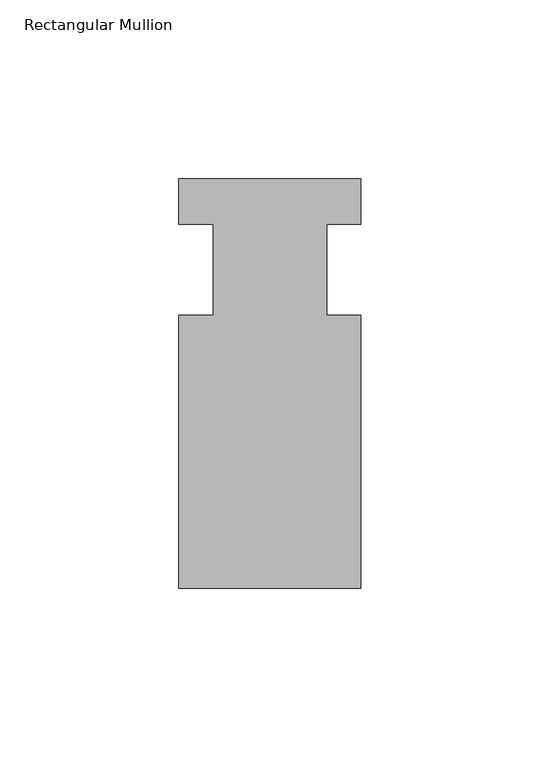
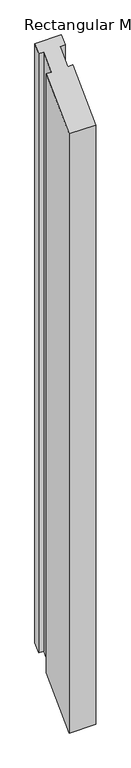
"""IFC4 building model written with IfcOpenShell, lengths in millimetres: member geometry, Rectangular Mullion."""

import ifcopenshell
import ifcopenshell.guid

model = None  # the IFC model being written
_history = None  # IfcOwnerHistory: only IFC2X3 demands one
_inside = {}  # id of a spatial element -> (the spatial element, [elements in it])
_under = {}  # id of a project, library or spatial element -> (it, [spatial elements below it])
_declared = {}  # id of a project -> (the project, [libraries it declares])
_typed = {}  # id of a type object -> (the type object, [elements of that type])
_made_of = {}  # id of a material, layer set ... -> (it, [elements and type objects made of it])


def new_model(schema):
    """Start an empty IFC model of exactly this schema.

    Asked for "IFC4X3", IfcOpenShell would pick the latest addendum, in which some entities
    have other attributes; the version numbers below select the first issue.
    IFC2X3 requires an IfcOwnerHistory on every rooted entity: one is made here for all.
    """
    global model, _history
    if schema == "IFC4X3":
        model = ifcopenshell.file(schema_version=(4, 3, 0, 0))
    else:
        model = ifcopenshell.file(schema=schema)
    _inside.clear()
    _under.clear()
    _declared.clear()
    _typed.clear()
    _made_of.clear()
    _history = None
    if model.schema == "IFC2X3":
        org = make("IfcOrganization", Name="unknown")
        user = make(
            "IfcPersonAndOrganization",
            ThePerson=make("IfcPerson", FamilyName="unknown"),
            TheOrganization=org,
        )
        app = make(
            "IfcApplication",
            ApplicationDeveloper=org,
            Version="unknown",
            ApplicationFullName="unknown",
            ApplicationIdentifier="unknown",
        )
        _history = make(
            "IfcOwnerHistory",
            OwningUser=user,
            OwningApplication=app,
            ChangeAction="ADDED",
            CreationDate=0,
        )
    return model


def make(cls, **values):
    """One entity of the class cls with the attributes given. An attribute that is None is left unset."""
    return model.create_entity(
        cls, **{name: value for name, value in values.items() if value is not None}
    )


def rooted(cls, **values):
    """An entity with a GlobalId (a new one), such as an element, a storey or a relation."""
    return make(cls, GlobalId=ifcopenshell.guid.new(), OwnerHistory=_history, **values)


def si_unit(unit_type, name, prefix=None):
    """IfcSIUnit, for example si_unit("LENGTHUNIT", "METRE", prefix="MILLI")."""
    return make("IfcSIUnit", UnitType=unit_type, Prefix=prefix, Name=name)


def assignment(units):
    """IfcUnitAssignment: the units of a project."""
    return None if units is None else make("IfcUnitAssignment", Units=units)


def point(xyz):
    """IfcCartesianPoint."""
    return None if xyz is None else make("IfcCartesianPoint", Coordinates=xyz)


def direction(xyz):
    """IfcDirection."""
    return None if xyz is None else make("IfcDirection", DirectionRatios=xyz)


def frame(location, z_axis=None, x_axis=None):
    """IfcAxis2Placement3D, a coordinate frame: its origin and axes. An axis left out is left unset."""
    return make(
        "IfcAxis2Placement3D",
        Location=point(location),
        Axis=direction(z_axis),
        RefDirection=direction(x_axis),
    )


def origin():
    """The frame at (0, 0, 0) with its axes left unset."""
    return frame((0.0, 0.0, 0.0))


def place(relative_to, where):
    """IfcLocalPlacement: puts the frame where relative to a parent placement (None: the world)."""
    return make(
        "IfcLocalPlacement", PlacementRelTo=relative_to, RelativePlacement=where
    )


def context(
    kind, dimensions, precision=None, world=None, true_north=None, identifier=None
):
    """IfcGeometricRepresentationContext, for example the 3D "Model" context."""
    return make(
        "IfcGeometricRepresentationContext",
        ContextIdentifier=identifier,
        ContextType=kind,
        CoordinateSpaceDimension=dimensions,
        Precision=precision,
        WorldCoordinateSystem=world,
        TrueNorth=true_north,
    )


def project(units=None, contexts=None):
    """IfcProject with its units and contexts."""
    return rooted(
        "IfcProject",
        Name="project",
        RepresentationContexts=contexts,
        UnitsInContext=assignment(units),
    )


def spatial(cls, under=None, at=None, **own):
    """A site, building, storey or space (cls), placed at a placement, below another one or the project."""
    s = rooted(cls, ObjectPlacement=at, **own)
    if under is not None:
        _under.setdefault(under.id(), (under, []))[1].append(s)
    return s


def faces_of(points, faces, orient=None, outer=None):
    """IfcFace entities. A face is a list of loops; a loop is a list of indices into points, from 0.

    orient and outer hold one flag for each loop. By default every Orientation is true, the
    first loop of a face is its IfcFaceOuterBound and the others are IfcFaceBound.
    """
    made = []
    for i, loops in enumerate(faces):
        bounds = []
        for j, loop in enumerate(loops):
            is_outer = j == 0 if outer is None else outer[i][j]
            bounds.append(
                make(
                    "IfcFaceOuterBound" if is_outer else "IfcFaceBound",
                    Bound=make("IfcPolyLoop", Polygon=[points[k] for k in loop]),
                    Orientation=True if orient is None else orient[i][j],
                )
            )
        made.append(make("IfcFace", Bounds=bounds))
    return made


def faceted_brep(points, faces, orient=None, outer=None, voids=None):
    """IfcFacetedBrep: a solid bounded by flat faces; with voids (closed shells), ...WithVoids."""
    shared = [point(p) for p in points]
    hull = make("IfcClosedShell", CfsFaces=faces_of(shared, faces, orient, outer))
    if voids is None:
        return make("IfcFacetedBrep", Outer=hull)
    return make(
        "IfcFacetedBrepWithVoids",
        Outer=hull,
        Voids=[
            make(cls, CfsFaces=faces_of(shared, fs, o, b)) for cls, fs, o, b in voids
        ],
    )


def shape(context_of_items, identifier, shape_type, items):
    """IfcShapeRepresentation: the items that make up one representation, for example the "Body"."""
    return make(
        "IfcShapeRepresentation",
        ContextOfItems=context_of_items,
        RepresentationIdentifier=identifier,
        RepresentationType=shape_type,
        Items=items,
    )


def source(mapping_origin, context_of_items, identifier, shape_type, items):
    """IfcRepresentationMap: a shape defined once, which mapped items show again and again."""
    return make(
        "IfcRepresentationMap",
        MappingOrigin=mapping_origin,
        MappedRepresentation=shape(context_of_items, identifier, shape_type, items),
    )


def transform(
    local_origin,
    x_axis=None,
    y_axis=None,
    z_axis=None,
    scale=None,
    scale2=None,
    scale3=None,
    uniform=True,
):
    """IfcCartesianTransformationOperator3D, or its non-uniform kind. x_axis, y_axis, z_axis: its Axis1, 2, 3."""
    if uniform:
        return make(
            "IfcCartesianTransformationOperator3D",
            Axis1=direction(x_axis),
            Axis2=direction(y_axis),
            LocalOrigin=point(local_origin),
            Scale=scale,
            Axis3=direction(z_axis),
        )
    return make(
        "IfcCartesianTransformationOperator3DnonUniform",
        Axis1=direction(x_axis),
        Axis2=direction(y_axis),
        LocalOrigin=point(local_origin),
        Scale=scale,
        Axis3=direction(z_axis),
        Scale2=scale2,
        Scale3=scale3,
    )


def mapped(mapping_source, mapping_target):
    """IfcMappedItem: shows the shape of a source again, moved by a transform."""
    return make(
        "IfcMappedItem", MappingSource=mapping_source, MappingTarget=mapping_target
    )


def made_of(thing, what):
    """Note that an element or type object is made of a material, layer set ...; save() writes the relation."""
    if what is not None:
        _made_of.setdefault(what.id(), (what, []))[1].append(thing)
    return thing


def element(
    cls,
    number,
    at=None,
    inside=None,
    cuts=None,
    type_object=None,
    material=None,
    context=None,
    identifier="Body",
    shape_type=None,
    held_by="IfcProductDefinitionShape",
    body=None,
    shapes=None,
    **own,
):
    """One element of the class cls, such as IfcWall. Its Tag is "e" and its number.

    at: its placement. inside: the storey or other place that contains it. cuts: it is an
    opening in that element (IfcRelVoidsElement). A single representation is given by context,
    identifier, shape_type and body (its items); several are given by shapes. held_by: the class
    of the entity that holds the representations. save() writes the other relations.
    """
    e = rooted(cls, Tag="e%d" % number, ObjectPlacement=at, **own)
    if body is not None:
        shapes = [shape(context, identifier, shape_type, body)]
    if shapes is not None:
        e.Representation = make(held_by, Representations=shapes)
    if inside is not None:
        _inside.setdefault(inside.id(), (inside, []))[1].append(e)
    if cuts is not None:
        rooted(
            "IfcRelVoidsElement", RelatingBuildingElement=cuts, RelatedOpeningElement=e
        )
    if type_object is not None:
        _typed.setdefault(type_object.id(), (type_object, []))[1].append(e)
    return made_of(e, material)


def aggregate(whole, parts):
    """IfcRelAggregates: a whole, such as a stair, and the parts it consists of."""
    return rooted("IfcRelAggregates", RelatingObject=whole, RelatedObjects=parts)


def save(model, path):
    """Write the relations noted so far, then the file.

    IfcRelAggregates (storeys below a building ...), IfcRelContainedInSpatialStructure (elements
    in a storey), IfcRelDefinesByType, IfcRelAssociatesMaterial and IfcRelDeclares: one each for
    every whole, place, type object, material and project.
    """
    for whole, parts in _under.values():
        aggregate(whole, parts)
    for where, things in _inside.values():
        rooted(
            "IfcRelContainedInSpatialStructure",
            RelatedElements=things,
            RelatingStructure=where,
        )
    for kind, things in _typed.values():
        rooted("IfcRelDefinesByType", RelatedObjects=things, RelatingType=kind)
    for what, things in _made_of.values():
        rooted("IfcRelAssociatesMaterial", RelatedObjects=things, RelatingMaterial=what)
    for by, libraries in _declared.values():
        rooted("IfcRelDeclares", RelatingContext=by, RelatedDefinitions=libraries)
    model.write(path)


def rectangular_mullion_56436c90(model_context):
    return source(origin(), model_context, "Body", "Brep", [
        faceted_brep([(25.4, -25.4, -25.4), (25.4, -101.6, -101.6), (25.4, -101.6, -1320.8), (25.4, -25.4, -1244.6), (15.875, -25.4, -25.4), (15.875, -25.4, -1244.6), (15.875, 0.0, 0.0), (15.875, 0.0, -1219.2), (25.4, 0.0, 0.0), (25.4, 0.0, -1219.2), (25.4, 12.7, 12.7), (25.4, 12.7, -1206.5), (-25.4, 12.7, 12.7), (-25.4, 12.7, -1206.5), (-25.4, 0.0, 0.0), (-25.4, 0.0, -1219.2), (-15.875, 0.0, 0.0), (-15.875, 0.0, -1219.2), (-15.875, -25.4, -25.4), (-15.875, -25.4, -1244.6), (-25.4, -25.4, -25.4), (-25.4, -25.4, -1244.6), (-25.4, -101.6, -101.6), (-25.4, -101.6, -1320.8)], [[[0, 1, 2, 3]], [[4, 0, 3, 5]], [[6, 4, 5, 7]], [[8, 6, 7, 9]], [[10, 8, 9, 11]], [[12, 10, 11, 13]], [[14, 12, 13, 15]], [[16, 14, 15, 17]], [[18, 16, 17, 19]], [[20, 18, 19, 21]], [[22, 20, 21, 23]], [[1, 22, 23, 2]], [[1, 0, 4, 6, 8, 10, 12, 14, 16, 18, 20, 22]], [[2, 23, 21, 19, 17, 15, 13, 11, 9, 7, 5, 3]]]),
    ])


if __name__ == "__main__":
    model = new_model("IFC4")
    model_context = context("Model", 3, world=origin())
    ifc_project = project(units=[si_unit("LENGTHUNIT", "METRE", prefix="MILLI")], contexts=[model_context])
    site = spatial("IfcSite", under=ifc_project)
    building = spatial("IfcBuilding", under=site)
    placement = place(None, origin())
    rectangular_mullion_shape = rectangular_mullion_56436c90(model_context)
    element("IfcMember", 1, ObjectType="Rectangular Mullion", at=placement, inside=building, context=model_context, shape_type="MappedRepresentation", body=[
        mapped(rectangular_mullion_shape, transform((0.0, 0.0, 0.0), x_axis=(1.0, 0.0, 0.0), y_axis=(0.0, 1.0, 0.0), z_axis=(0.0, 0.0, 1.0))),
    ])
    save(model, "model.ifc")
